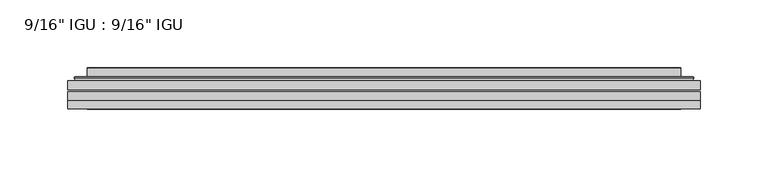
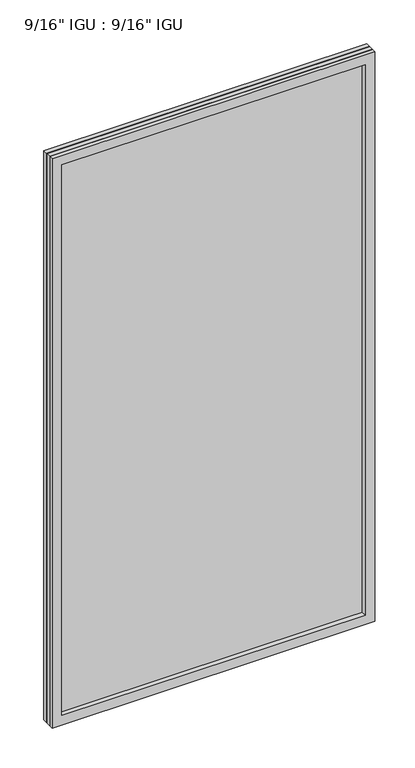
"""IFC4 building model written with IfcOpenShell, lengths in millimetres: plate geometry."""

from ifc_helpers import new_model, si_unit, frame, origin, place, context, project, spatial, polyline, ellipse_curve, outline, extrude, faceted_brep, source, transform, mapped, element, save
from ifc_brep_helpers import plane_surface, cylinder_surface, advanced_brep


def plate_dbf7cfcf(model_context):
    return source(origin(), model_context, "Body", "SolidModel", [
        extrude(outline(polyline([(233.376675, -54.78145), (233.376675, -61.1317818), (-233.3625, -61.1317818), (-233.3625, -54.78145), (233.376675, -54.78145)])), frame((0.0, 0.0, -14.2875), z_axis=(0.0, 0.0, 1.0), x_axis=(1.0, 0.0, 0.0)), (0.0, 0.0, 1.0), 869.9537979),
        extrude(outline(polyline([(-233.3625, -69.05625), (-233.3625, -62.705745), (233.376675, -62.705745), (233.376675, -69.05625), (-233.3625, -69.05625)])), frame((0.0, 0.0, -14.2875), z_axis=(0.0, 0.0, 1.0), x_axis=(1.0, 0.0, 0.0)), (0.0, 0.0, 1.0), 869.9537979),
        faceted_brep([(-233.3752, -75.40625, 855.6752), (-233.3752, -69.05625, 855.6752), (-233.3752, -69.05625, -14.3002), (-233.3752, -75.40625, -14.3002), (233.3752, -69.05625, -14.3002), (233.3752, -75.40625, -14.3002), (233.3752, -69.05625, 855.6752), (233.3752, -75.40625, 855.6752), (-218.1772559, -69.05625, 0.8977441), (218.1772559, -69.05625, 0.8977441), (218.1772559, -69.05625, 840.4772559), (-218.1772559, -69.05625, 840.4772559), (-219.0696902, -75.40625, 841.3696902), (219.0696902, -75.40625, 841.3696902), (219.0696902, -75.40625, 0.0053098), (-219.0696902, -75.40625, 0.0053098)], [[[0, 1, 2, 3]], [[3, 2, 4, 5]], [[5, 4, 6, 7]], [[1, 6, 4, 2], [8, 9, 10, 11]], [[7, 6, 1, 0]], [[3, 5, 7, 0], [12, 13, 14, 15]], [[11, 12, 15, 8]], [[8, 15, 14, 9]], [[9, 14, 13, 10]], [[10, 13, 12, 11]]]),
        advanced_brep(
        [(-226.121219, -54.78145, 848.421219), (-228.4754244, -52.7917833, 850.7754244), (-228.4754244, -52.7917833, -9.4004244), (-226.121219, -54.78145, -7.046219), (-217.0468939, -50.941413, 839.3468939), (-212.1120621, -54.78145, 834.4120621), (-212.1120621, -54.78145, 6.9629379), (-217.0468939, -50.941413, 2.0281061), (-218.0789217, -45.5441819, 840.3789217), (-218.0789217, -45.5441819, 0.9960783), (-219.0695784, -45.1452069, 841.3695784), (-219.0695784, -45.1452069, 0.0054216), (-219.0695784, -51.60645, 841.3695784), (-219.0695784, -51.60645, 0.0054216), (-227.4736349, -51.60645, 849.7736349), (-227.4736349, -51.60645, -8.3986349), (228.4754244, -52.7917833, -9.4004244), (226.121219, -54.78145, -7.046219), (212.1120621, -54.78145, 6.9629379), (217.0468939, -50.941413, 2.0281061), (218.0789217, -45.5441819, 0.9960783), (219.0695784, -45.1452069, 0.0054216), (219.0695784, -51.60645, 0.0054216), (227.4736349, -51.60645, -8.3986349), (228.4754244, -52.7917833, 850.7754244), (226.121219, -54.78145, 848.421219), (212.1120621, -54.78145, 834.4120621), (217.0468939, -50.941413, 839.3468939), (218.0789217, -45.5441819, 840.3789217), (219.0695784, -45.1452069, 841.3695784), (219.0695784, -51.60645, 841.3695784), (227.4736349, -51.60645, 849.7736349)],
        [
            (0, 1, ellipse_curve(frame((-226.121219, -52.39385, 848.421219), z_axis=(-0.7071067811865475, 0.0, -0.7071067811865475), x_axis=(-0.7071067811865474, 0.0, 0.7071067811865476)), 3.3765763, 2.3876)),
            (1, 2),
            (2, 3, ellipse_curve(frame((-226.121219, -52.39385, -7.046219), z_axis=(-0.7071067811865475, 0.0, 0.7071067811865475), x_axis=(0.7071067811865474, 0.0, 0.7071067811865476)), 3.3765763, 2.3876)),
            (3, 0),
            (4, 5),
            (5, 6),
            (6, 7),
            (7, 4),
            (8, 4),
            (7, 9),
            (9, 8),
            (10, 8, ellipse_curve(frame((-218.7026219, -45.6634423, 841.0026219), z_axis=(-0.7071067811865475, 0.0, -0.7071067811865475), x_axis=(-0.7071067811865474, 0.0, 0.7071067811865476)), 0.8980256, 0.635)),
            (9, 11, ellipse_curve(frame((-218.7026219, -45.6634423, 0.3723781), z_axis=(-0.7071067811865475, 0.0, 0.7071067811865475), x_axis=(0.7071067811865474, 0.0, 0.7071067811865476)), 0.8980256, 0.635)),
            (11, 10),
            (12, 10),
            (11, 13),
            (13, 12),
            (1, 14, ellipse_curve(frame((-227.4736349, -52.62245, 849.7736349), z_axis=(-0.7071067811865475, 0.0, -0.7071067811865475), x_axis=(-0.7071067811865474, 0.0, 0.7071067811865476)), 1.436841, 1.016)),
            (14, 15),
            (15, 2, ellipse_curve(frame((-227.4736349, -52.62245, -8.3986349), z_axis=(-0.7071067811865475, 0.0, 0.7071067811865475), x_axis=(0.7071067811865474, 0.0, 0.7071067811865476)), 1.436841, 1.016)),
            (2, 16),
            (16, 17, ellipse_curve(frame((226.121219, -52.39385, -7.046219), z_axis=(-0.7071067811865475, 0.0, -0.7071067811865475), x_axis=(-0.7071067811865476, 0.0, 0.7071067811865474)), 3.3765763, 2.3876)),
            (17, 3),
            (6, 18),
            (18, 19),
            (19, 7),
            (19, 20),
            (20, 9),
            (20, 21, ellipse_curve(frame((218.7026219, -45.6634423, 0.3723781), z_axis=(-0.7071067811865475, 0.0, -0.7071067811865475), x_axis=(-0.7071067811865476, 0.0, 0.7071067811865474)), 0.8980256, 0.635)),
            (21, 11),
            (21, 22),
            (22, 13),
            (15, 23),
            (23, 16, ellipse_curve(frame((227.4736349, -52.62245, -8.3986349), z_axis=(-0.7071067811865475, 0.0, -0.7071067811865475), x_axis=(-0.7071067811865476, 0.0, 0.7071067811865474)), 1.436841, 1.016)),
            (16, 24),
            (24, 25, ellipse_curve(frame((226.121219, -52.39385, 848.421219), z_axis=(0.7071067811865475, 0.0, -0.7071067811865475), x_axis=(-0.7071067811865474, 0.0, -0.7071067811865476)), 3.3765763, 2.3876)),
            (25, 17),
            (18, 26),
            (26, 27),
            (27, 19),
            (27, 28),
            (28, 20),
            (28, 29, ellipse_curve(frame((218.7026219, -45.6634423, 841.0026219), z_axis=(0.7071067811865475, 0.0, -0.7071067811865475), x_axis=(-0.7071067811865474, 0.0, -0.7071067811865476)), 0.8980256, 0.635)),
            (29, 21),
            (29, 30),
            (30, 22),
            (23, 31),
            (31, 24, ellipse_curve(frame((227.4736349, -52.62245, 849.7736349), z_axis=(0.7071067811865475, 0.0, -0.7071067811865475), x_axis=(-0.7071067811865474, 0.0, -0.7071067811865476)), 1.436841, 1.016)),
            (24, 1),
            (0, 25),
            (5, 26),
            (4, 27),
            (8, 28),
            (10, 29),
            (12, 30),
            (14, 31),
        ],
        [
            cylinder_surface(frame((-226.121219, -52.39385, 873.125), z_axis=(0.0, 0.0, 1.0), x_axis=(-1.0, 0.0, 0.0)), 2.3876),
            plane_surface(frame((-212.1120621, -54.78145, 834.4120621), z_axis=(0.6141233906514794, 0.7892100234124821, 0.0), x_axis=(0.0, 0.0, -1.0))),
            plane_surface(frame((-217.0468939, -50.941413, 839.3468939), z_axis=(0.9822050625507728, 0.18781164793386085, 0.0), x_axis=(0.0, 0.0, -1.0))),
            cylinder_surface(frame((-218.7026219, -45.6634423, 873.125), z_axis=(0.0, 0.0, 1.0), x_axis=(-1.0, 0.0, 0.0)), 0.635),
            plane_surface(frame((-219.0695784, -45.1452069, 841.3695784), z_axis=(-1.0, 0.0, 0.0), x_axis=(0.0, 0.0, -1.0))),
            cylinder_surface(frame((-227.4736349, -52.62245, 873.125), z_axis=(0.0, 0.0, 1.0), x_axis=(-1.0, 0.0, 0.0)), 1.016),
            cylinder_surface(frame((-250.825, -52.39385, -7.046219), z_axis=(-1.0, 0.0, 0.0), x_axis=(0.0, 0.0, -1.0)), 2.3876),
            plane_surface(frame((-212.1120621, -54.78145, 6.9629379), z_axis=(0.0, 0.7892100234124841, 0.6141233906514768), x_axis=(1.0, 0.0, 0.0))),
            plane_surface(frame((-217.0468939, -50.941413, 2.0281061), z_axis=(0.0, 0.18781164793386404, 0.9822050625507722), x_axis=(1.0, 0.0, 0.0))),
            cylinder_surface(frame((-250.825, -45.6634423, 0.3723781), z_axis=(-1.0, 0.0, 0.0), x_axis=(0.0, 0.0, -1.0)), 0.635),
            plane_surface(frame((-219.0695784, -45.1452069, 0.0054216), z_axis=(0.0, 0.0, -1.0), x_axis=(1.0, 0.0, 0.0))),
            cylinder_surface(frame((-250.825, -52.62245, -8.3986349), z_axis=(-1.0, 0.0, 0.0), x_axis=(0.0, 0.0, -1.0)), 1.016),
            cylinder_surface(frame((226.121219, -52.39385, -31.75), z_axis=(0.0, 0.0, -1.0), x_axis=(1.0, 0.0, 0.0)), 2.3876),
            plane_surface(frame((212.1120621, -54.78145, 6.9629379), z_axis=(-0.6141233906514743, 0.7892100234124861, 0.0), x_axis=(0.0, 0.0, 1.0))),
            plane_surface(frame((217.0468939, -50.941413, 2.0281061), z_axis=(-0.9822050625507717, 0.18781164793386723, 0.0), x_axis=(0.0, 0.0, 1.0))),
            cylinder_surface(frame((218.7026219, -45.6634423, -31.75), z_axis=(0.0, 0.0, -1.0), x_axis=(1.0, 0.0, 0.0)), 0.635),
            plane_surface(frame((219.0695784, -45.1452069, 0.0054216), z_axis=(1.0, 0.0, 0.0), x_axis=(0.0, 0.0, 1.0))),
            cylinder_surface(frame((227.4736349, -52.62245, -31.75), z_axis=(0.0, 0.0, -1.0), x_axis=(1.0, 0.0, 0.0)), 1.016),
            cylinder_surface(frame((250.825, -52.39385, 848.421219), z_axis=(1.0, 0.0, 0.0), x_axis=(0.0, 0.0, 1.0)), 2.3876),
            plane_surface(frame((226.121219, -54.78145, 848.421219), z_axis=(0.0, -1.0, 0.0), x_axis=(-1.0, 0.0, 0.0))),
            plane_surface(frame((212.1120621, -54.78145, 834.4120621), z_axis=(0.0, 0.7892100234124841, -0.6141233906514768), x_axis=(-1.0, 0.0, 0.0))),
            plane_surface(frame((217.0468939, -50.941413, 839.3468939), z_axis=(0.0, 0.18781164793386404, -0.9822050625507722), x_axis=(-1.0, 0.0, 0.0))),
            cylinder_surface(frame((250.825, -45.6634423, 841.0026219), z_axis=(1.0, 0.0, 0.0), x_axis=(0.0, 0.0, 1.0)), 0.635),
            plane_surface(frame((219.0695784, -45.1452069, 841.3695784), z_axis=(0.0, 0.0, 1.0), x_axis=(-1.0, 0.0, 0.0))),
            plane_surface(frame((219.0695784, -51.60645, 841.3695784), z_axis=(0.0, 1.0, 0.0), x_axis=(-1.0, 0.0, 0.0))),
            cylinder_surface(frame((250.825, -52.62245, 849.7736349), z_axis=(1.0, 0.0, 0.0), x_axis=(0.0, 0.0, 1.0)), 1.016),
        ],
        [
            (0, [[1, 2, 3, 4]]),
            (1, [[5, 6, 7, 8]]),
            (2, [[9, -8, 10, 11]]),
            (3, [[12, -11, 13, 14]]),
            (4, [[15, -14, 16, 17]]),
            (5, [[18, 19, 20, -2]]),
            (6, [[-3, 21, 22, 23]]),
            (7, [[-7, 24, 25, 26]]),
            (8, [[-10, -26, 27, 28]]),
            (9, [[-13, -28, 29, 30]]),
            (10, [[-16, -30, 31, 32]]),
            (11, [[-20, 33, 34, -21]]),
            (12, [[-22, 35, 36, 37]]),
            (13, [[-25, 38, 39, 40]]),
            (14, [[-27, -40, 41, 42]]),
            (15, [[-29, -42, 43, 44]]),
            (16, [[-31, -44, 45, 46]]),
            (17, [[-34, 47, 48, -35]]),
            (18, [[-36, 49, -1, 50]]),
            (19, [[-23, -37, -50, -4], [51, -38, -24, -6]]),
            (20, [[-39, -51, -5, 52]]),
            (21, [[-41, -52, -9, 53]]),
            (22, [[-43, -53, -12, 54]]),
            (23, [[-45, -54, -15, 55]]),
            (24, [[56, -47, -33, -19], [-32, -46, -55, -17]]),
            (25, [[-48, -56, -18, -49]]),
        ],
    ),
    ])


if __name__ == "__main__":
    model = new_model("IFC4")
    model_context = context("Model", 3, world=origin())
    ifc_project = project(units=[si_unit("LENGTHUNIT", "METRE", prefix="MILLI")], contexts=[model_context])
    site = spatial("IfcSite", under=ifc_project)
    building = spatial("IfcBuilding", under=site)
    placement = place(None, origin())
    plate_shape = plate_dbf7cfcf(model_context)
    element("IfcPlate", 1, ObjectType="9/16\" IGU : 9/16\" IGU", at=placement, inside=building, context=model_context, shape_type="MappedRepresentation", body=[
        mapped(plate_shape, transform((0.0, 0.0, 0.0), x_axis=(1.0, 0.0, 0.0), y_axis=(0.0, 1.0, 0.0), z_axis=(0.0, 0.0, 1.0))),
    ])
    save(model, "model.ifc")
